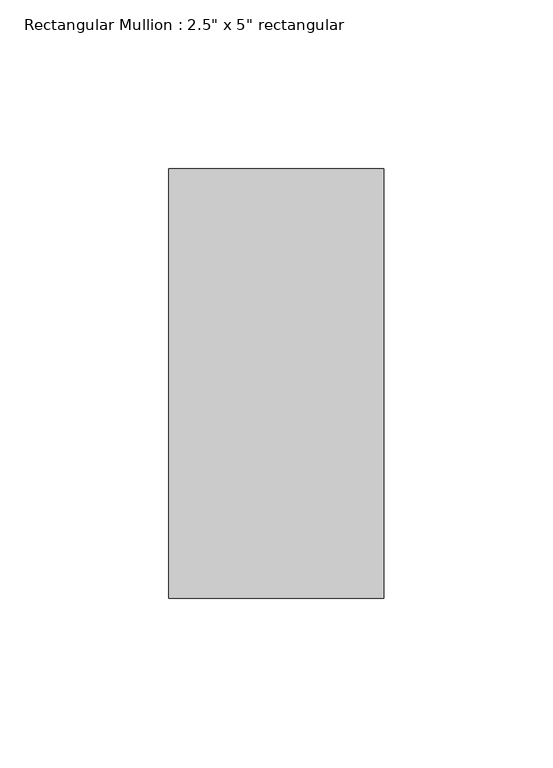
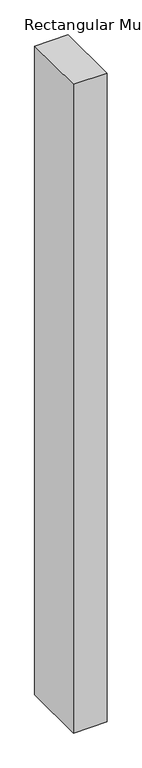
"""IFC4 building model written with IfcOpenShell, lengths in millimetres: member geometry."""

from ifc_helpers import new_model, si_unit, frame, origin, place, context, project, spatial, polyline, outline, extrude, source, transform, mapped, element, save


def member_02103b57(model_context):
    return source(origin(), model_context, "Body", "SweptSolid", [
        extrude(outline(polyline([(31.75, 63.5), (31.75, -63.5), (-31.75, -63.5), (-31.75, 63.5), (31.75, 63.5)])), frame((0.0, 0.0, -1298.0833333), z_axis=(0.0, 0.0, 1.0), x_axis=(1.0, 0.0, 0.0)), (0.0, 0.0, 1.0), 1298.0833333),
    ])


if __name__ == "__main__":
    model = new_model("IFC4")
    model_context = context("Model", 3, world=origin())
    ifc_project = project(units=[si_unit("LENGTHUNIT", "METRE", prefix="MILLI")], contexts=[model_context])
    site = spatial("IfcSite", under=ifc_project)
    building = spatial("IfcBuilding", under=site)
    placement = place(None, origin())
    member_shape = member_02103b57(model_context)
    element("IfcMember", 1, ObjectType="Rectangular Mullion : 2.5\" x 5\" rectangular", at=placement, inside=building, context=model_context, shape_type="MappedRepresentation", body=[
        mapped(member_shape, transform((0.0, 0.0, 0.0), x_axis=(1.0, 0.0, 0.0), y_axis=(0.0, 1.0, 0.0), z_axis=(0.0, 0.0, 1.0))),
    ])
    save(model, "model.ifc")
